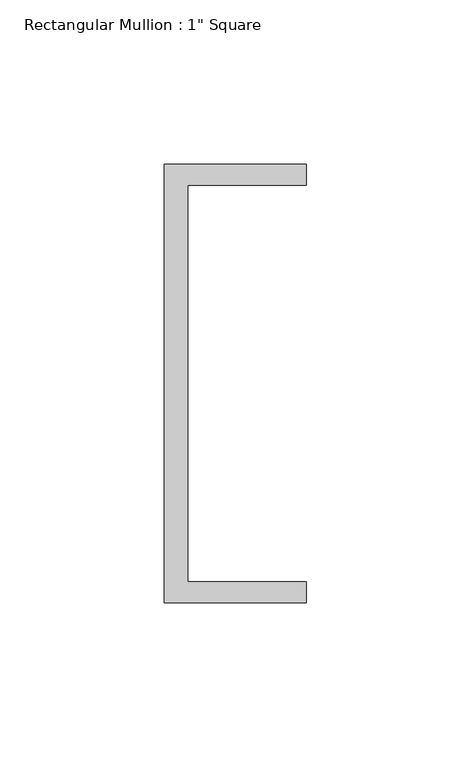
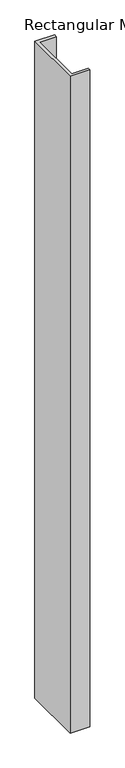
"""IFC4 building model written with IfcOpenShell, lengths in millimetres: member geometry."""

from ifc_helpers import new_model, si_unit, frame, origin, place, context, project, spatial, polyline, outline, extrude, source, transform, mapped, element, save


def member_050ac77a(model_context):
    return source(origin(), model_context, "Body", "SweptSolid", [
        extrude(outline(polyline([(-18.6549463, 135.2608739), (24.5675083, 135.2608739), (24.5675083, 128.9108739), (-11.6110886, 128.9108739), (-11.6110886, 8.2608739), (24.5675083, 8.2608739), (24.5675083, 1.9108739), (-18.6549463, 1.9108739), (-18.6549463, 135.2608739)])), frame((0.0, 0.0, -1516.6965734), z_axis=(0.0, 0.0, 1.0), x_axis=(1.0, 0.0, 0.0)), (0.0, 0.0, 1.0), 1516.6965734),
    ])


if __name__ == "__main__":
    model = new_model("IFC4")
    model_context = context("Model", 3, world=origin())
    ifc_project = project(units=[si_unit("LENGTHUNIT", "METRE", prefix="MILLI")], contexts=[model_context])
    site = spatial("IfcSite", under=ifc_project)
    building = spatial("IfcBuilding", under=site)
    placement = place(None, origin())
    member_shape = member_050ac77a(model_context)
    element("IfcMember", 1, ObjectType="Rectangular Mullion : 1\" Square", at=placement, inside=building, context=model_context, shape_type="MappedRepresentation", body=[
        mapped(member_shape, transform((0.0, 0.0, 0.0), x_axis=(1.0, 0.0, 0.0), y_axis=(0.0, 1.0, 0.0), z_axis=(0.0, 0.0, 1.0))),
    ])
    save(model, "model.ifc")
